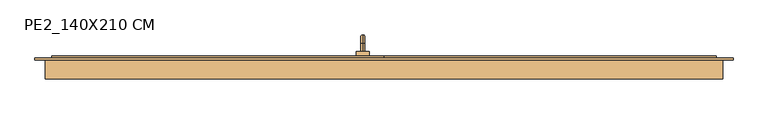
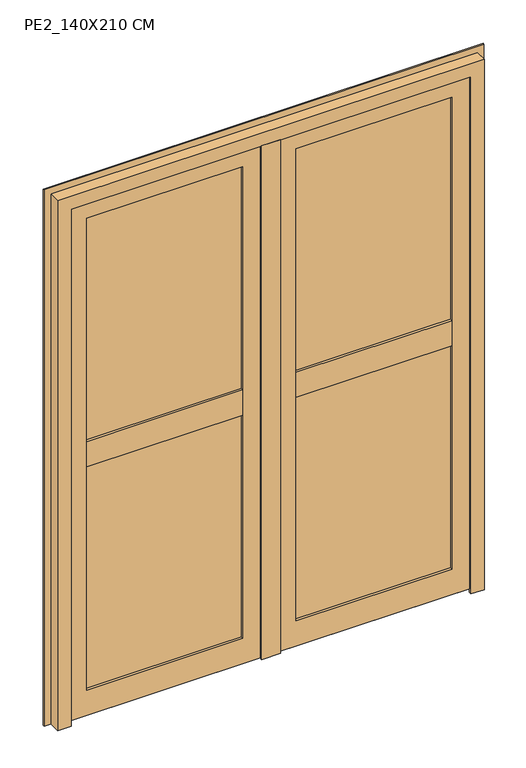
"""IFC4 building model written with IfcOpenShell, lengths in millimetres: door geometry, PE2_140X210 CM."""

from ifc_helpers import new_model, si_unit, point, frame, origin, place, context, project, spatial, polyline, circle_curve, ellipse_curve, trimmed, outline, extrude, faceted_brep, source, transform, mapped, element, save
from ifc_brep_helpers import plane_surface, cylinder_surface, revolved_surface, advanced_brep


def pe2_140x210_cm_4e59de27(model_context):
    return source(origin(), model_context, "Body", "SolidModel", [
        advanced_brep(
        [(-50.0, 170.0, 905.0), (-50.0, 189.0, 905.0), (-50.0, 189.0, 895.0), (-50.0, 170.0, 895.0), (-50.0, 210.0, 884.0), (-50.0, 200.0, 884.0), (-50.0, 210.0, 805.0), (-50.0, 200.0, 805.0), (-65.0, 170.0, 930.0), (-35.0, 170.0, 930.0), (-35.0, 170.0, 870.0), (-65.0, 170.0, 870.0), (-65.0, 160.0, 930.0), (-65.0, 160.0, 870.0), (-35.0, 160.0, 870.0), (-35.0, 160.0, 930.0)],
        [
            (0, 1),
            (1, 2, circle_curve(frame((-50.0, 189.0, 900.0), z_axis=(0.0, -1.0, 0.0), x_axis=(0.0, 0.0, -1.0)), 5.0)),
            (2, 3),
            (3, 0, circle_curve(frame((-50.0, 170.0, 900.0), z_axis=(0.0, 1.0, 0.0), x_axis=(0.0, 0.0, -1.0)), 5.0)),
            (0, 3, circle_curve(frame((-50.0, 170.0, 900.0), z_axis=(0.0, 1.0, 0.0), x_axis=(0.0, 0.0, -1.0)), 5.0)),
            (2, 1, circle_curve(frame((-50.0, 189.0, 900.0), z_axis=(0.0, -1.0, 0.0), x_axis=(0.0, 0.0, -1.0)), 5.0)),
            (1, 4, circle_curve(frame((-50.0, 189.0, 884.0), z_axis=(-1.0, 0.0, 0.0), x_axis=(0.0, 0.0, 1.0)), 21.0)),
            (4, 5, circle_curve(frame((-50.0, 205.0, 884.0), z_axis=(0.0, 0.0, 1.0), x_axis=(0.0, -1.0, 0.0)), 5.0)),
            (5, 2, circle_curve(frame((-50.0, 189.0, 884.0), z_axis=(1.0, 0.0, 0.0), x_axis=(0.0, 0.0, 1.0)), 11.0)),
            (5, 4, circle_curve(frame((-50.0, 205.0, 884.0), z_axis=(0.0, 0.0, 1.0), x_axis=(0.0, -1.0, 0.0)), 5.0)),
            (6, 7, circle_curve(frame((-50.0, 205.0, 805.0), z_axis=(0.0, 0.0, -1.0), x_axis=(0.0, -1.0, 0.0)), 5.0)),
            (7, 6, circle_curve(frame((-50.0, 205.0, 805.0), z_axis=(0.0, 0.0, -1.0), x_axis=(0.0, -1.0, 0.0)), 5.0)),
            (4, 6),
            (7, 5),
            (8, 9),
            (9, 10),
            (10, 11),
            (11, 8),
            (12, 13),
            (13, 14),
            (14, 15),
            (15, 12),
            (8, 12),
            (15, 9),
            (14, 10),
            (13, 11),
        ],
        [
            cylinder_surface(frame((-50.0, 170.0, 900.0), z_axis=(0.0, -1.0, 0.0), x_axis=(0.0, 0.0, -1.0)), 5.0),
            revolved_surface(trimmed(ellipse_curve(frame((-50.0, 189.0, 900.0), z_axis=(0.0, -1.0, 0.0), x_axis=(0.0, 0.0, -1.0)), 5.0, 5.0), [point((-50.0, 189.0, 905.0))], [point((-50.0, 189.0, 895.0))], True, "CARTESIAN"), (-50.0, 189.0, 884.0), (-1.0, 0.0, 0.0)),
            revolved_surface(trimmed(ellipse_curve(frame((-50.0, 189.0, 900.0), z_axis=(0.0, -1.0, 0.0), x_axis=(0.0, 0.0, -1.0)), 5.0, 5.0), [point((-50.0, 189.0, 895.0))], [point((-50.0, 189.0, 905.0))], True, "CARTESIAN"), (-50.0, 189.0, 884.0), (-1.0, 0.0, 0.0)),
            plane_surface(frame((-50.0, 205.0, 805.0), z_axis=(0.0, 0.0, -1.0), x_axis=(-1.0, 0.0, 0.0))),
            cylinder_surface(frame((-50.0, 205.0, 884.0), z_axis=(0.0, 0.0, 1.0), x_axis=(0.0, -1.0, 0.0)), 5.0),
            plane_surface(frame((-35.0, 170.0, 930.0), z_axis=(0.0, 1.0, 0.0), x_axis=(1.0, 0.0, 0.0))),
            plane_surface(frame((-35.0, 160.0, 930.0), z_axis=(0.0, -1.0, 0.0), x_axis=(-1.0, 0.0, 0.0))),
            plane_surface(frame((-65.0, 170.0, 930.0), z_axis=(0.0, 0.0, 1.0), x_axis=(0.0, -1.0, 0.0))),
            plane_surface(frame((-35.0, 170.0, 930.0), z_axis=(1.0, 0.0, 0.0), x_axis=(0.0, -1.0, 0.0))),
            plane_surface(frame((-35.0, 170.0, 870.0), z_axis=(0.0, 0.0, -1.0), x_axis=(0.0, -1.0, 0.0))),
            plane_surface(frame((-65.0, 170.0, 870.0), z_axis=(-1.0, 0.0, 0.0), x_axis=(0.0, -1.0, 0.0))),
        ],
        [
            (0, [[1, 2, 3, 4]]),
            (0, [[-1, 5, -3, 6]]),
            (1, [[-2, 7, 8, 9]]),
            (2, [[-6, -9, 10, -7]]),
            (3, [[11, 12]]),
            (4, [[-8, 13, -12, 14]]),
            (4, [[-10, -14, -11, -13]]),
            (5, [[15, 16, 17, 18], [-4, -5]]),
            (6, [[19, 20, 21, 22]]),
            (7, [[-15, 23, -22, 24]]),
            (8, [[-16, -24, -21, 25]]),
            (9, [[-17, -25, -20, 26]]),
            (10, [[-18, -26, -19, -23]]),
        ],
    ),
        extrude(outline(polyline([(150.0, 22.0), (150.0, 7.0), (145.0, 7.0), (145.0, 12.0), (130.0, 12.0), (130.0, 7.0), (125.0, 7.0), (125.0, 22.0), (150.0, 22.0)])), frame((0.0, 0.0, 0.0), z_axis=(1.0, 0.0, 0.0), x_axis=(0.0, 1.0, 0.0)), (0.0, 0.0, 1.0), 785.0),
        extrude(outline(polyline([(150.0, 22.0), (150.0, 7.0), (145.0, 7.0), (145.0, 12.0), (130.0, 12.0), (130.0, 7.0), (125.0, 7.0), (125.0, 22.0), (150.0, 22.0)])), frame((-785.0, 0.0, 0.0), z_axis=(1.0, 0.0, 0.0), x_axis=(0.0, 1.0, 0.0)), (0.0, 0.0, 1.0), 785.0),
        faceted_brep([(0.0, 115.0, 40.0), (0.0, 125.0, 40.0), (0.0, 125.0, 15.0), (0.0, 115.0, 15.0), (785.0, 115.0, 40.0), (785.0, 115.0, 15.0), (785.0, 125.0, 15.0), (785.0, 125.0, 40.0), (25.0, 115.0, 40.0), (25.0, 125.0, 40.0), (760.0, 125.0, 40.0), (760.0, 115.0, 40.0), (760.0, 115.0, 2060.0), (25.0, 115.0, 2060.0), (100.0, 115.0, 1985.0), (685.0, 115.0, 1985.0), (685.0, 115.0, 115.0), (100.0, 115.0, 115.0), (785.0, 150.0, 2085.0), (785.0, 160.0, 2085.0), (0.0, 160.0, 2085.0), (0.0, 150.0, 2085.0), (710.0, 160.0, 2010.0), (710.0, 125.0, 2010.0), (75.0, 125.0, 2010.0), (75.0, 160.0, 2010.0), (685.0, 125.0, 1985.0), (100.0, 125.0, 1985.0), (760.0, 150.0, 2060.0), (25.0, 150.0, 2060.0), (0.0, 160.0, 15.0), (0.0, 150.0, 15.0), (75.0, 125.0, 90.0), (75.0, 160.0, 90.0), (100.0, 125.0, 115.0), (25.0, 150.0, 40.0), (785.0, 160.0, 15.0), (785.0, 150.0, 15.0), (710.0, 125.0, 90.0), (710.0, 160.0, 90.0), (685.0, 125.0, 115.0), (760.0, 150.0, 40.0)], [[[0, 1, 2, 3]], [[4, 5, 6, 7]], [[1, 0, 8, 9]], [[4, 7, 10, 11]], [[2, 1, 9, 10, 7, 6]], [[3, 2, 6, 5]], [[0, 3, 5, 4, 11, 12, 13, 8], [14, 15, 16, 17]], [[18, 19, 20, 21]], [[22, 23, 24, 25]], [[26, 15, 14, 27]], [[12, 28, 29, 13]], [[21, 20, 30, 31]], [[25, 24, 32, 33]], [[27, 14, 17, 34]], [[13, 29, 35, 9, 8]], [[31, 30, 36, 37]], [[33, 32, 38, 39]], [[34, 17, 16, 40]], [[35, 41, 10, 9]], [[19, 18, 37, 36]], [[20, 19, 36, 30], [22, 25, 33, 39]], [[23, 22, 39, 38]], [[24, 23, 38, 32], [26, 27, 34, 40]], [[15, 26, 40, 16]], [[28, 12, 11, 10, 41]], [[18, 21, 31, 37], [29, 28, 41, 35]]]),
        faceted_brep([(-785.0, 160.0, 2085.0), (-785.0, 150.0, 2085.0), (0.0, 150.0, 2085.0), (0.0, 160.0, 2085.0), (-710.0, 125.0, 2010.0), (-710.0, 160.0, 2010.0), (-75.0, 160.0, 2010.0), (-75.0, 125.0, 2010.0), (-685.0, 115.0, 1985.0), (-685.0, 125.0, 1985.0), (-100.0, 125.0, 1985.0), (-100.0, 115.0, 1985.0), (-760.0, 150.0, 2060.0), (-760.0, 115.0, 2060.0), (-25.0, 115.0, 2060.0), (-25.0, 150.0, 2060.0), (0.0, 150.0, 15.0), (0.0, 160.0, 15.0), (-75.0, 160.0, 90.0), (-75.0, 125.0, 90.0), (-100.0, 125.0, 115.0), (-100.0, 115.0, 115.0), (-25.0, 115.0, 40.0), (-25.0, 125.0, 40.0), (-25.0, 150.0, 40.0), (-785.0, 150.0, 15.0), (-785.0, 160.0, 15.0), (-710.0, 160.0, 90.0), (-710.0, 125.0, 90.0), (-685.0, 125.0, 115.0), (-685.0, 115.0, 115.0), (-760.0, 150.0, 40.0), (-760.0, 125.0, 40.0), (-760.0, 115.0, 40.0), (-785.0, 115.0, 40.0), (-785.0, 115.0, 15.0), (0.0, 115.0, 15.0), (0.0, 115.0, 40.0), (0.0, 125.0, 15.0), (0.0, 125.0, 40.0), (-785.0, 125.0, 40.0), (-785.0, 125.0, 15.0)], [[[0, 1, 2, 3]], [[4, 5, 6, 7]], [[8, 9, 10, 11]], [[12, 13, 14, 15]], [[3, 2, 16, 17]], [[7, 6, 18, 19]], [[11, 10, 20, 21]], [[15, 14, 22, 23, 24]], [[17, 16, 25, 26]], [[19, 18, 27, 28]], [[21, 20, 29, 30]], [[31, 24, 23, 32]], [[1, 0, 26, 25]], [[0, 3, 17, 26], [6, 5, 27, 18]], [[5, 4, 28, 27]], [[4, 7, 19, 28], [10, 9, 29, 20]], [[9, 8, 30, 29]], [[14, 13, 33, 34, 35, 36, 37, 22], [8, 11, 21, 30]], [[13, 12, 31, 32, 33]], [[2, 1, 25, 16], [12, 15, 24, 31]], [[37, 36, 38, 39]], [[34, 40, 41, 35]], [[37, 39, 23, 22]], [[40, 34, 33, 32]], [[39, 38, 41, 40, 32, 23]], [[38, 36, 35, 41]]]),
        extrude(outline(polyline([(85.0, 125.0), (85.0, 139.0), (700.0, 139.0), (700.0, 125.0), (85.0, 125.0)])), frame((0.0, 0.0, 1085.0), z_axis=(0.0, 0.0, 1.0), x_axis=(1.0, 0.0, 0.0)), (0.0, 0.0, 1.0), 915.0),
        extrude(outline(polyline([(85.0, 125.0), (85.0, 139.0), (700.0, 139.0), (700.0, 125.0), (85.0, 125.0)])), frame((0.0, 0.0, 100.0), z_axis=(0.0, 0.0, 1.0), x_axis=(1.0, 0.0, 0.0)), (0.0, 0.0, 1.0), 915.0),
        extrude(outline(polyline([(-700.0, 125.0), (-700.0, 139.0), (-85.0, 139.0), (-85.0, 125.0), (-700.0, 125.0)])), frame((0.0, 0.0, 1085.0), z_axis=(0.0, 0.0, 1.0), x_axis=(1.0, 0.0, 0.0)), (0.0, 0.0, 1.0), 915.0),
        extrude(outline(polyline([(-700.0, 125.0), (-700.0, 139.0), (-85.0, 139.0), (-85.0, 125.0), (-700.0, 125.0)])), frame((0.0, 0.0, 100.0), z_axis=(0.0, 0.0, 1.0), x_axis=(1.0, 0.0, 0.0)), (0.0, 0.0, 1.0), 915.0),
        extrude(outline(polyline([(125.0, 1025.0), (125.0, 1000.0), (115.0, 1000.0), (115.0, 1100.0), (125.0, 1100.0), (125.0, 1075.0), (160.0, 1075.0), (160.0, 1025.0), (125.0, 1025.0)])), frame((100.0, 0.0, 0.0), z_axis=(1.0, 0.0, 0.0), x_axis=(0.0, 1.0, 0.0)), (0.0, 0.0, 1.0), 585.0),
        extrude(outline(polyline([(125.0, 1075.0), (160.0, 1075.0), (160.0, 1025.0), (125.0, 1025.0), (125.0, 1000.0), (115.0, 1000.0), (115.0, 1100.0), (125.0, 1100.0), (125.0, 1075.0)])), frame((-685.0, 0.0, 0.0), z_axis=(1.0, 0.0, 0.0), x_axis=(0.0, 1.0, 0.0)), (0.0, 0.0, 1.0), 585.0),
        extrude(outline(polyline([(-685.0, 139.0), (-685.0, 160.0), (-100.0, 160.0), (-100.0, 139.0), (-685.0, 139.0)])), frame((0.0, 0.0, 1075.0), z_axis=(0.0, 0.0, 1.0), x_axis=(1.0, 0.0, 0.0)), (0.0, 0.0, 1.0), 25.0),
        extrude(outline(polyline([(-685.0, 139.0), (-685.0, 160.0), (-100.0, 160.0), (-100.0, 139.0), (-685.0, 139.0)])), frame((0.0, 0.0, 1000.0), z_axis=(0.0, 0.0, 1.0), x_axis=(1.0, 0.0, 0.0)), (0.0, 0.0, 1.0), 25.0),
        extrude(outline(polyline([(100.0, 139.0), (100.0, 160.0), (685.0, 160.0), (685.0, 139.0), (100.0, 139.0)])), frame((0.0, 0.0, 1075.0), z_axis=(0.0, 0.0, 1.0), x_axis=(1.0, 0.0, 0.0)), (0.0, 0.0, 1.0), 25.0),
        extrude(outline(polyline([(100.0, 139.0), (100.0, 160.0), (685.0, 160.0), (685.0, 139.0), (100.0, 139.0)])), frame((0.0, 0.0, 1000.0), z_axis=(0.0, 0.0, 1.0), x_axis=(1.0, 0.0, 0.0)), (0.0, 0.0, 1.0), 25.0),
        extrude(outline(polyline([(2010.0, 75.0), (90.0, 75.0), (90.0, 710.0), (2010.0, 710.0), (2010.0, 75.0)]), holes=[polyline([(1985.0, 685.0), (115.0, 685.0), (115.0, 100.0), (1985.0, 100.0), (1985.0, 685.0)])]), frame((0.0, 139.0, 0.0), z_axis=(0.0, 1.0, 0.0), x_axis=(0.0, 0.0, 1.0)), (0.0, 0.0, 1.0), 21.0),
        faceted_brep([(25.0, 150.0, 2085.0), (-10.0, 150.0, 2085.0), (-10.0, 115.0, 2085.0), (25.0, 115.0, 2085.0), (25.0, 150.0, 15.0), (-10.0, 150.0, 15.0), (-10.0, 115.0, 15.0), (-10.0, 115.0, 2050.0), (25.0, 115.0, 2050.0), (25.0, 115.0, 15.0), (35.0, 105.0, 2050.0), (35.0, 115.0, 2050.0), (-35.0, 115.0, 2050.0), (-35.0, 105.0, 2050.0), (35.0, 105.0, 15.0), (-35.0, 105.0, 15.0), (-35.0, 115.0, 15.0), (35.0, 115.0, 15.0)], [[[0, 1, 2, 3]], [[1, 0, 4, 5]], [[2, 1, 5, 6, 7]], [[3, 2, 7, 8]], [[4, 0, 3, 8, 9]], [[10, 11, 8, 7, 12, 13]], [[14, 15, 16, 6, 5, 4, 9, 17]], [[11, 10, 14, 17]], [[8, 11, 17, 9]], [[12, 7, 6, 16]], [[13, 12, 16, 15]], [[10, 13, 15, 14]]]),
        extrude(outline(polyline([(2010.0, -710.0), (90.0, -710.0), (90.0, -75.0), (2010.0, -75.0), (2010.0, -710.0)]), holes=[polyline([(1985.0, -100.0), (115.0, -100.0), (115.0, -685.0), (1985.0, -685.0), (1985.0, -100.0)])]), frame((0.0, 139.0, 0.0), z_axis=(0.0, 1.0, 0.0), x_axis=(0.0, 0.0, 1.0)), (0.0, 0.0, 1.0), 21.0),
        faceted_brep([(-800.0, 105.0, 0.0), (-800.0, 150.0, 0.0), (-775.0, 150.0, 0.0), (-775.0, 115.0, 0.0), (-750.0, 115.0, 0.0), (-750.0, 105.0, 0.0), (-800.0, 150.0, 2100.0), (-800.0, 105.0, 2100.0), (800.0, 105.0, 2100.0), (800.0, 150.0, 2100.0), (-775.0, 115.0, 2075.0), (-775.0, 150.0, 2075.0), (775.0, 150.0, 2075.0), (775.0, 115.0, 2075.0), (-750.0, 105.0, 2050.0), (-750.0, 115.0, 2050.0), (750.0, 115.0, 2050.0), (750.0, 105.0, 2050.0), (800.0, 105.0, 0.0), (800.0, 150.0, 0.0), (775.0, 150.0, 0.0), (775.0, 115.0, 0.0), (750.0, 115.0, 0.0), (750.0, 105.0, 0.0)], [[[0, 1, 2, 3, 4, 5]], [[6, 7, 8, 9]], [[10, 11, 12, 13]], [[14, 15, 16, 17]], [[9, 8, 18, 19]], [[13, 12, 20, 21]], [[17, 16, 22, 23]], [[18, 23, 22, 21, 20, 19]], [[1, 0, 7, 6]], [[2, 1, 6, 9, 19, 20, 12, 11]], [[3, 2, 11, 10]], [[4, 3, 10, 13, 21, 22, 16, 15]], [[5, 4, 15, 14]], [[0, 5, 14, 17, 23, 18, 8, 7]]]),
        extrude(outline(polyline([(0.0, -825.0), (0.0, -790.0), (2090.0, -790.0), (2090.0, 790.0), (0.0, 790.0), (0.0, 825.0), (2125.0, 825.0), (2125.0, -825.0), (0.0, -825.0)])), frame((0.0, 150.0, 0.0), z_axis=(0.0, 1.0, 0.0), x_axis=(0.0, 0.0, 1.0)), (0.0, 0.0, 1.0), 5.0),
    ])


if __name__ == "__main__":
    model = new_model("IFC4")
    model_context = context("Model", 3, world=origin())
    ifc_project = project(units=[si_unit("LENGTHUNIT", "METRE", prefix="MILLI")], contexts=[model_context])
    site = spatial("IfcSite", under=ifc_project)
    building = spatial("IfcBuilding", under=site)
    placement = place(None, origin())
    pe2_140x210_cm_shape = pe2_140x210_cm_4e59de27(model_context)
    element("IfcDoor", 1, ObjectType="PE2_140X210 CM", at=placement, inside=building, context=model_context, shape_type="MappedRepresentation", body=[
        mapped(pe2_140x210_cm_shape, transform((0.0, 0.0, 0.0), x_axis=(1.0, 0.0, 0.0), y_axis=(0.0, 1.0, 0.0), z_axis=(0.0, 0.0, 1.0))),
    ])
    save(model, "model.ifc")
